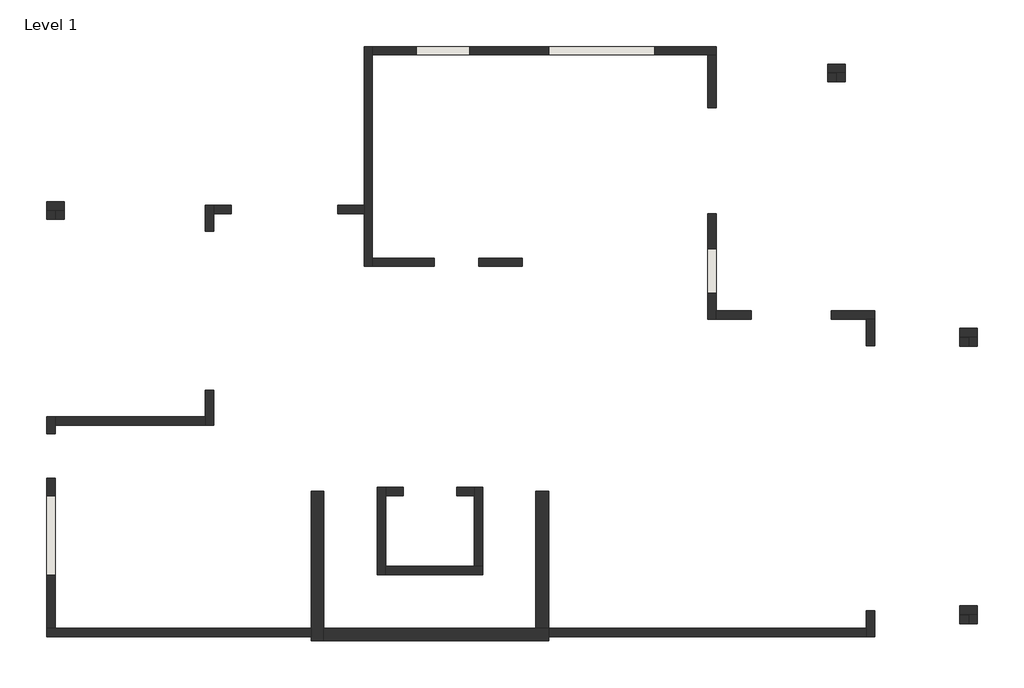
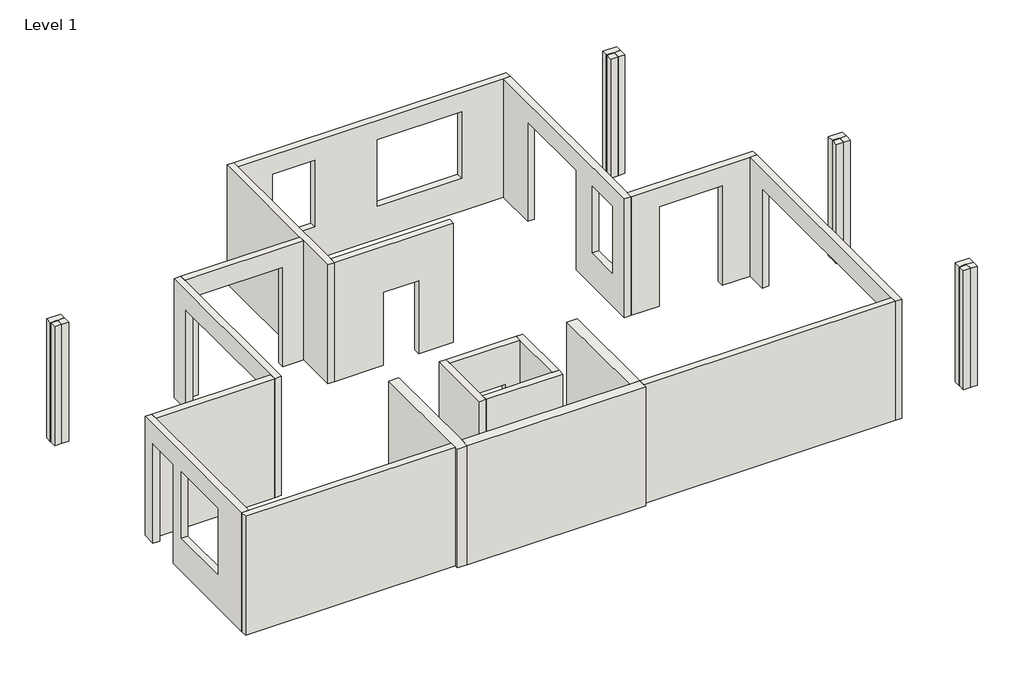
# One storey: 35 walls.
"""IFC4 building model written with IfcOpenShell, lengths in millimetres."""

from ifc_helpers import new_model, si_unit, frame, origin, origin_with_axes, place, context, project, spatial, polyline, outline, extrude, faceted_brep, element, save

model = new_model("IFC4")

# Units and contexts
model_context = context("Model", 3, world=origin())
ifc_project = project(units=[si_unit("LENGTHUNIT", "METRE", prefix="MILLI")], contexts=[model_context])

# Site, building, storey
site = spatial("IfcSite", under=ifc_project)
building = spatial("IfcBuilding", under=site)
storey = spatial("IfcBuildingStorey", under=building, Name="Level 1", Elevation=0.0)

# Walls
placement = place(None, origin())
element("IfcWall", 1, ObjectType="12\" Omni", at=placement, inside=storey, context=model_context, shape_type="Brep", body=[
    faceted_brep([(10593.2716482, -4772.8512144, 0.0), (10593.2716482, -7927.2137144, 0.0), (10593.2716482, -8120.8887144, 0.0), (10593.2716482, -8222.4887144, 0.0), (10593.2716482, -8222.4887144, 3657.6), (10593.2716482, -8120.8887144, 3657.6), (10593.2716482, -7927.2137144, 3657.6), (10593.2716482, -4772.8512144, 3657.6), (10888.5466482, -4772.8512144, 0.0), (10888.5466482, -4772.8512144, 3657.6), (10888.5466482, -7927.2137144, 3657.6), (10888.5466482, -8222.4887144, 3657.6), (10888.5466482, -8222.4887144, 0.0), (10888.5466482, -7927.2137144, 0.0)], [[[0, 1, 2, 3, 4, 5, 6, 7]], [[8, 9, 10, 11, 12, 13]], [[3, 2, 1, 0, 8, 13, 12]], [[7, 6, 5, 4, 11, 10, 9]], [[0, 7, 9, 8]], [[4, 3, 12, 11]]]),
])
element("IfcWall", 2, ObjectType="12\" Omni", at=placement, inside=storey, context=model_context, shape_type="Brep", body=[
    faceted_brep([(10888.5466482, -8222.4887144, 0.0), (16070.1466482, -8222.4887144, 0.0), (16070.1466482, -8222.4887144, 3657.6), (10888.5466482, -8222.4887144, 3657.6), (10888.5466482, -7927.2137144, 0.0), (10888.5466482, -7927.2137144, 3657.6), (15774.8716482, -7927.2137144, 3657.6), (16070.1466482, -7927.2137144, 3657.6), (16070.1466482, -7927.2137144, 0.0), (15774.8716482, -7927.2137144, 0.0), (16070.1466482, -8120.8887144, 0.0), (16070.1466482, -8120.8887144, 3657.6)], [[[0, 1, 2, 3]], [[4, 5, 6, 7, 8, 9]], [[1, 0, 4, 9, 8, 10]], [[3, 2, 11, 7, 6, 5]], [[0, 3, 5, 4]], [[2, 1, 10, 8, 7, 11]]]),
])
element("IfcWall", 3, ObjectType="12\" Omni", at=placement, inside=storey, context=model_context, shape_type="SweptSolid", body=[
    extrude(outline(polyline([(16070.1466482, -4772.8512144), (16070.1466482, -7927.2137144), (15774.8716482, -7927.2137144), (15774.8716482, -4772.8512144), (16070.1466482, -4772.8512144)])), origin_with_axes(), (0.0, 0.0, 1.0), 3657.6),
])
element("IfcWall", 4, ObjectType="8\" CMU", at=placement, inside=storey, context=model_context, shape_type="Brep", body=[
    faceted_brep([(12117.2716482, -4676.0137144, 0.0), (12117.2716482, -6698.4887144, 0.0), (12117.2716482, -6698.4887144, 3657.6), (12117.2716482, -4676.0137144, 3657.6), (12310.9466482, -4676.0137144, 0.0), (12310.9466482, -4676.0137144, 3657.6), (12310.9466482, -4869.6887144, 3657.6), (12310.9466482, -6504.8137144, 3657.6), (12310.9466482, -6698.4887144, 3657.6), (12310.9466482, -6698.4887144, 0.0), (12310.9466482, -6504.8137144, 0.0), (12310.9466482, -4869.6887144, 0.0)], [[[0, 1, 2, 3]], [[4, 5, 6, 7, 8, 9, 10, 11]], [[1, 0, 4, 11, 10, 9]], [[3, 2, 8, 7, 6, 5]], [[2, 1, 9, 8]], [[0, 3, 5, 4]]]),
])
element("IfcWall", 5, ObjectType="8\" CMU", at=placement, inside=storey, context=model_context, shape_type="Brep", body=[
    faceted_brep([(12310.9466482, -6698.4887144, 0.0), (14546.1466482, -6698.4887144, 0.0), (14546.1466482, -6698.4887144, 3657.6), (12310.9466482, -6698.4887144, 3657.6), (12310.9466482, -6504.8137144, 0.0), (12310.9466482, -6504.8137144, 3657.6), (14352.4716482, -6504.8137144, 3657.6), (14546.1466482, -6504.8137144, 3657.6), (14546.1466482, -6504.8137144, 0.0), (14352.4716482, -6504.8137144, 0.0)], [[[0, 1, 2, 3]], [[4, 5, 6, 7, 8, 9]], [[1, 0, 4, 9, 8]], [[3, 2, 7, 6, 5]], [[0, 3, 5, 4]], [[2, 1, 8, 7]]]),
])
element("IfcWall", 6, ObjectType="8\" CMU", at=placement, inside=storey, context=model_context, shape_type="Brep", body=[
    faceted_brep([(14546.1466482, -6504.8137144, 0.0), (14546.1466482, -4676.0137144, 0.0), (14546.1466482, -4676.0137144, 3657.6), (14546.1466482, -6504.8137144, 3657.6), (14352.4716482, -6504.8137144, 0.0), (14352.4716482, -6504.8137144, 3657.6), (14352.4716482, -4869.6887144, 3657.6), (14352.4716482, -4676.0137144, 3657.6), (14352.4716482, -4676.0137144, 0.0), (14352.4716482, -4869.6887144, 0.0)], [[[0, 1, 2, 3]], [[4, 5, 6, 7, 8, 9]], [[1, 0, 4, 9, 8]], [[3, 2, 7, 6, 5]], [[0, 3, 5, 4]], [[2, 1, 8, 7]]]),
])
element("IfcWall", 7, ObjectType="8\" CMU", at=placement, inside=storey, context=model_context, shape_type="SweptSolid", body=[
    extrude(outline(polyline([(3657.6, 12310.9466482), (0.0, 12310.9466482), (0.0, 12717.3471562), (2447.925, 12717.3471562), (2447.925, 13946.0721562), (0.0, 13946.0721562), (0.0, 14352.4716482), (3657.6, 14352.4716482), (3657.6, 12310.9466482)])), frame((0.0, -4869.6887144, 0.0), z_axis=(0.0, 1.0, 0.0), x_axis=(0.0, 0.0, 1.0)), (0.0, 0.0, 1.0), 193.675),
])
element("IfcWall", 8, ObjectType="8\" CMU", at=placement, inside=storey, context=model_context, shape_type="Brep", body=[
    faceted_brep([(25550.4804298, -7609.0718358, 0.0), (25744.1554298, -7609.0718358, 0.0), (25763.2054298, -7609.0718358, 0.0), (25956.8804298, -7609.0718358, 0.0), (25956.8804298, -7609.0718358, 3657.6), (25763.2054298, -7609.0718358, 3657.6), (25744.1554298, -7609.0718358, 3657.6), (25550.4804298, -7609.0718358, 3657.6), (25550.4804298, -7415.3968358, 0.0), (25550.4804298, -7415.3968358, 3657.6), (25956.8804298, -7415.3968358, 3657.6), (25956.8804298, -7415.3968358, 0.0)], [[[0, 1, 2, 3, 4, 5, 6, 7]], [[8, 9, 10, 11]], [[3, 2, 1, 0, 8, 11]], [[7, 6, 5, 4, 10, 9]], [[4, 3, 11, 10]], [[0, 7, 9, 8]]]),
])
element("IfcWall", 9, ObjectType="8\" CMU", at=placement, inside=storey, context=model_context, shape_type="Brep", body=[
    faceted_brep([(25763.2054298, -7609.0718358, 0.0), (25763.2054298, -7628.1218358, 0.0), (25763.2054298, -7821.7968358, 0.0), (25763.2054298, -7821.7968358, 3657.6), (25763.2054298, -7628.1218358, 3657.6), (25763.2054298, -7609.0718358, 3657.6), (25956.8804298, -7609.0718358, 0.0), (25956.8804298, -7609.0718358, 3657.6), (25956.8804298, -7821.7968358, 3657.6), (25956.8804298, -7821.7968358, 0.0)], [[[0, 1, 2, 3, 4, 5]], [[6, 7, 8, 9]], [[2, 1, 0, 6, 9]], [[5, 4, 3, 8, 7]], [[0, 5, 7, 6]], [[3, 2, 9, 8]]]),
])
element("IfcWall", 10, ObjectType="8\" CMU", at=placement, inside=storey, context=model_context, shape_type="Brep", body=[
    faceted_brep([(25763.2054298, -7628.1218358, 0.0), (25744.1554298, -7628.1218358, 0.0), (25550.4804298, -7628.1218358, 0.0), (25550.4804298, -7628.1218358, 3657.6), (25744.1554298, -7628.1218358, 3657.6), (25763.2054298, -7628.1218358, 3657.6), (25763.2054298, -7821.7968358, 0.0), (25763.2054298, -7821.7968358, 3657.6), (25550.4804298, -7821.7968358, 3657.6), (25550.4804298, -7821.7968358, 0.0)], [[[0, 1, 2, 3, 4, 5]], [[6, 7, 8, 9]], [[2, 1, 0, 6, 9]], [[5, 4, 3, 8, 7]], [[0, 5, 7, 6]], [[3, 2, 9, 8]]]),
])
element("IfcWall", 11, ObjectType="8\" CMU", at=placement, inside=storey, context=model_context, shape_type="SweptSolid", body=[
    extrude(outline(polyline([(25744.1554298, -7609.0718358), (25744.1554298, -7628.1218358), (25550.4804298, -7628.1218358), (25550.4804298, -7609.0718358), (25744.1554298, -7609.0718358)])), origin_with_axes(), (0.0, 0.0, 1.0), 3657.6),
])
element("IfcWall", 12, ObjectType="8\" CMU", at=placement, inside=storey, context=model_context, shape_type="Brep", body=[
    faceted_brep([(25550.4804298, -1208.2718358, 0.0), (25744.1554298, -1208.2718358, 0.0), (25763.2054298, -1208.2718358, 0.0), (25956.8804298, -1208.2718358, 0.0), (25956.8804298, -1208.2718358, 3657.6), (25763.2054298, -1208.2718358, 3657.6), (25744.1554298, -1208.2718358, 3657.6), (25550.4804298, -1208.2718358, 3657.6), (25550.4804298, -1014.5968358, 0.0), (25550.4804298, -1014.5968358, 3657.6), (25956.8804298, -1014.5968358, 3657.6), (25956.8804298, -1014.5968358, 0.0)], [[[0, 1, 2, 3, 4, 5, 6, 7]], [[8, 9, 10, 11]], [[3, 2, 1, 0, 8, 11]], [[7, 6, 5, 4, 10, 9]], [[4, 3, 11, 10]], [[0, 7, 9, 8]]]),
])
element("IfcWall", 13, ObjectType="8\" CMU", at=placement, inside=storey, context=model_context, shape_type="Brep", body=[
    faceted_brep([(25763.2054298, -1208.2718358, 0.0), (25763.2054298, -1227.3218358, 0.0), (25763.2054298, -1420.9968358, 0.0), (25763.2054298, -1420.9968358, 3657.6), (25763.2054298, -1227.3218358, 3657.6), (25763.2054298, -1208.2718358, 3657.6), (25956.8804298, -1208.2718358, 0.0), (25956.8804298, -1208.2718358, 3657.6), (25956.8804298, -1420.9968358, 3657.6), (25956.8804298, -1420.9968358, 0.0)], [[[0, 1, 2, 3, 4, 5]], [[6, 7, 8, 9]], [[2, 1, 0, 6, 9]], [[5, 4, 3, 8, 7]], [[0, 5, 7, 6]], [[3, 2, 9, 8]]]),
])
element("IfcWall", 14, ObjectType="8\" CMU", at=placement, inside=storey, context=model_context, shape_type="Brep", body=[
    faceted_brep([(25763.2054298, -1227.3218358, 0.0), (25744.1554298, -1227.3218358, 0.0), (25550.4804298, -1227.3218358, 0.0), (25550.4804298, -1227.3218358, 3657.6), (25744.1554298, -1227.3218358, 3657.6), (25763.2054298, -1227.3218358, 3657.6), (25763.2054298, -1420.9968358, 0.0), (25763.2054298, -1420.9968358, 3657.6), (25550.4804298, -1420.9968358, 3657.6), (25550.4804298, -1420.9968358, 0.0)], [[[0, 1, 2, 3, 4, 5]], [[6, 7, 8, 9]], [[2, 1, 0, 6, 9]], [[5, 4, 3, 8, 7]], [[0, 5, 7, 6]], [[3, 2, 9, 8]]]),
])
element("IfcWall", 15, ObjectType="8\" CMU", at=placement, inside=storey, context=model_context, shape_type="SweptSolid", body=[
    extrude(outline(polyline([(25744.1554298, -1208.2718358), (25744.1554298, -1227.3218358), (25550.4804298, -1227.3218358), (25550.4804298, -1208.2718358), (25744.1554298, -1208.2718358)])), origin_with_axes(), (0.0, 0.0, 1.0), 3657.6),
])
element("IfcWall", 16, ObjectType="8\" CMU", at=placement, inside=storey, context=model_context, shape_type="Brep", body=[
    faceted_brep([(22502.4804298, 4887.7281642, 0.0), (22696.1554298, 4887.7281642, 0.0), (22715.2054298, 4887.7281642, 0.0), (22908.8804298, 4887.7281642, 0.0), (22908.8804298, 4887.7281642, 3657.6), (22715.2054298, 4887.7281642, 3657.6), (22696.1554298, 4887.7281642, 3657.6), (22502.4804298, 4887.7281642, 3657.6), (22502.4804298, 5081.4031642, 0.0), (22502.4804298, 5081.4031642, 3657.6), (22908.8804298, 5081.4031642, 3657.6), (22908.8804298, 5081.4031642, 0.0)], [[[0, 1, 2, 3, 4, 5, 6, 7]], [[8, 9, 10, 11]], [[3, 2, 1, 0, 8, 11]], [[7, 6, 5, 4, 10, 9]], [[4, 3, 11, 10]], [[0, 7, 9, 8]]]),
])
element("IfcWall", 17, ObjectType="8\" CMU", at=placement, inside=storey, context=model_context, shape_type="Brep", body=[
    faceted_brep([(22715.2054298, 4887.7281642, 0.0), (22715.2054298, 4868.6781642, 0.0), (22715.2054298, 4675.0031642, 0.0), (22715.2054298, 4675.0031642, 3657.6), (22715.2054298, 4868.6781642, 3657.6), (22715.2054298, 4887.7281642, 3657.6), (22908.8804298, 4887.7281642, 0.0), (22908.8804298, 4887.7281642, 3657.6), (22908.8804298, 4675.0031642, 3657.6), (22908.8804298, 4675.0031642, 0.0)], [[[0, 1, 2, 3, 4, 5]], [[6, 7, 8, 9]], [[2, 1, 0, 6, 9]], [[5, 4, 3, 8, 7]], [[0, 5, 7, 6]], [[3, 2, 9, 8]]]),
])
element("IfcWall", 18, ObjectType="8\" CMU", at=placement, inside=storey, context=model_context, shape_type="Brep", body=[
    faceted_brep([(22715.2054298, 4868.6781642, 0.0), (22696.1554298, 4868.6781642, 0.0), (22502.4804298, 4868.6781642, 0.0), (22502.4804298, 4868.6781642, 3657.6), (22696.1554298, 4868.6781642, 3657.6), (22715.2054298, 4868.6781642, 3657.6), (22715.2054298, 4675.0031642, 0.0), (22715.2054298, 4675.0031642, 3657.6), (22502.4804298, 4675.0031642, 3657.6), (22502.4804298, 4675.0031642, 0.0)], [[[0, 1, 2, 3, 4, 5]], [[6, 7, 8, 9]], [[2, 1, 0, 6, 9]], [[5, 4, 3, 8, 7]], [[0, 5, 7, 6]], [[3, 2, 9, 8]]]),
])
element("IfcWall", 19, ObjectType="8\" CMU", at=placement, inside=storey, context=model_context, shape_type="SweptSolid", body=[
    extrude(outline(polyline([(22696.1554298, 4887.7281642), (22696.1554298, 4868.6781642), (22502.4804298, 4868.6781642), (22502.4804298, 4887.7281642), (22696.1554298, 4887.7281642)])), origin_with_axes(), (0.0, 0.0, 1.0), 3657.6),
])
element("IfcWall", 20, ObjectType="8\" CMU", at=placement, inside=storey, context=model_context, shape_type="Brep", body=[
    faceted_brep([(4492.3162427, 1712.0502911, 0.0), (4685.9912427, 1712.0502911, 0.0), (4705.0412427, 1712.0502911, 0.0), (4898.7162427, 1712.0502911, 0.0), (4898.7162427, 1712.0502911, 3657.6), (4705.0412427, 1712.0502911, 3657.6), (4685.9912427, 1712.0502911, 3657.6), (4492.3162427, 1712.0502911, 3657.6), (4492.3162427, 1905.7252911, 0.0), (4492.3162427, 1905.7252911, 3657.6), (4898.7162427, 1905.7252911, 3657.6), (4898.7162427, 1905.7252911, 0.0)], [[[0, 1, 2, 3, 4, 5, 6, 7]], [[8, 9, 10, 11]], [[3, 2, 1, 0, 8, 11]], [[7, 6, 5, 4, 10, 9]], [[4, 3, 11, 10]], [[0, 7, 9, 8]]]),
])
element("IfcWall", 21, ObjectType="8\" CMU", at=placement, inside=storey, context=model_context, shape_type="Brep", body=[
    faceted_brep([(4705.0412427, 1712.0502911, 0.0), (4705.0412427, 1693.0002911, 0.0), (4705.0412427, 1499.3252911, 0.0), (4705.0412427, 1499.3252911, 3657.6), (4705.0412427, 1693.0002911, 3657.6), (4705.0412427, 1712.0502911, 3657.6), (4898.7162427, 1712.0502911, 0.0), (4898.7162427, 1712.0502911, 3657.6), (4898.7162427, 1499.3252911, 3657.6), (4898.7162427, 1499.3252911, 0.0)], [[[0, 1, 2, 3, 4, 5]], [[6, 7, 8, 9]], [[2, 1, 0, 6, 9]], [[5, 4, 3, 8, 7]], [[0, 5, 7, 6]], [[3, 2, 9, 8]]]),
])
element("IfcWall", 22, ObjectType="8\" CMU", at=placement, inside=storey, context=model_context, shape_type="Brep", body=[
    faceted_brep([(4705.0412427, 1693.0002911, 0.0), (4685.9912427, 1693.0002911, 0.0), (4492.3162427, 1693.0002911, 0.0), (4492.3162427, 1693.0002911, 3657.6), (4685.9912427, 1693.0002911, 3657.6), (4705.0412427, 1693.0002911, 3657.6), (4705.0412427, 1499.3252911, 0.0), (4705.0412427, 1499.3252911, 3657.6), (4492.3162427, 1499.3252911, 3657.6), (4492.3162427, 1499.3252911, 0.0)], [[[0, 1, 2, 3, 4, 5]], [[6, 7, 8, 9]], [[2, 1, 0, 6, 9]], [[5, 4, 3, 8, 7]], [[0, 5, 7, 6]], [[3, 2, 9, 8]]]),
])
element("IfcWall", 23, ObjectType="8\" CMU", at=placement, inside=storey, context=model_context, shape_type="SweptSolid", body=[
    extrude(outline(polyline([(4685.9912427, 1712.0502911), (4685.9912427, 1693.0002911), (4492.3162427, 1693.0002911), (4492.3162427, 1712.0502911), (4685.9912427, 1712.0502911)])), origin_with_axes(), (0.0, 0.0, 1.0), 3657.6),
])
element("IfcWall", 24, ObjectType="8\" Omni", at=placement, inside=storey, context=model_context, shape_type="Brep", body=[
    faceted_brep([(10593.2716482, -7927.2137144, 0.0), (4690.9466482, -7927.2137144, 0.0), (4497.2716482, -7927.2137144, 0.0), (4497.2716482, -7927.2137144, 3657.6), (4690.9466482, -7927.2137144, 3657.6), (10593.2716482, -7927.2137144, 3657.6), (10593.2716482, -8120.8887144, 0.0), (10593.2716482, -8120.8887144, 3657.6), (4497.2716482, -8120.8887144, 3657.6), (4497.2716482, -8120.8887144, 0.0)], [[[0, 1, 2, 3, 4, 5]], [[6, 7, 8, 9]], [[2, 1, 0, 6, 9]], [[5, 4, 3, 8, 7]], [[3, 2, 9, 8]], [[0, 5, 7, 6]]]),
])
element("IfcWall", 25, ObjectType="8\" Omni", at=placement, inside=storey, context=model_context, shape_type="Brep", body=[
    faceted_brep([(4690.9466482, -3050.4137144, 0.0), (4690.9466482, -3050.4137144, 3657.6), (4690.9466482, -3244.0887144, 3657.6), (4690.9466482, -7927.2137144, 3657.6), (4690.9466482, -7927.2137144, 0.0), (4690.9466482, -4472.8132064, 0.0), (4690.9466482, -4472.8132064, 3057.525), (4690.9466482, -3447.2871904, 3057.525), (4690.9466482, -3447.2871904, 0.0), (4690.9466482, -3244.0887144, 0.0), (4690.9466482, -6708.0132064, 3057.525), (4690.9466482, -4869.6882064, 3057.525), (4690.9466482, -4869.6882064, 1015.998984), (4690.9466482, -6708.0132064, 1015.998984), (4497.2716482, -3050.4137144, 3657.6), (4497.2716482, -3050.4137144, 0.0), (4497.2716482, -3447.2871904, 0.0), (4497.2716482, -3447.2871904, 3057.525), (4497.2716482, -4472.8132064, 3057.525), (4497.2716482, -4472.8132064, 0.0), (4497.2716482, -7927.2137144, 0.0), (4497.2716482, -7927.2137144, 3657.6), (4497.2716482, -4869.6882064, 3057.525), (4497.2716482, -6708.0132064, 3057.525), (4497.2716482, -6708.0132064, 1015.998984), (4497.2716482, -4869.6882064, 1015.998984)], [[[0, 1, 2, 3, 4, 5, 6, 7, 8, 9], [10, 11, 12, 13]], [[14, 15, 16, 17, 18, 19, 20, 21], [22, 23, 24, 25]], [[4, 20, 19, 5]], [[15, 0, 9, 8, 16]], [[3, 2, 1, 14, 21]], [[4, 3, 21, 20]], [[1, 0, 15, 14]], [[10, 23, 22, 11]], [[12, 25, 24, 13]], [[23, 10, 13, 24]], [[11, 22, 25, 12]], [[6, 18, 17, 7]], [[18, 6, 5, 19]], [[7, 17, 16, 8]]]),
])
element("IfcWall", 26, ObjectType="8\" Omni", at=placement, inside=storey, context=model_context, shape_type="SweptSolid", body=[
    extrude(outline(polyline([(8154.8716482, -3244.0887144), (4690.9466482, -3244.0887144), (4690.9466482, -3050.4137144), (8154.8716482, -3050.4137144), (8154.8716482, -3244.0887144)])), origin_with_axes(), (0.0, 0.0, 1.0), 3657.6),
])
element("IfcWall", 27, ObjectType="8\" Omni", at=placement, inside=storey, context=model_context, shape_type="Brep", body=[
    faceted_brep([(8348.5466482, 1826.3862856, 0.0), (8348.5466482, 1826.3862856, 3657.6), (8348.5466482, 1632.7112856, 3657.6), (8348.5466482, -3244.0887144, 3657.6), (8348.5466482, -3244.0887144, 0.0), (8348.5466482, -2440.8132064, 0.0), (8348.5466482, -2440.8132064, 3057.525), (8348.5466482, 1226.3117936, 3057.525), (8348.5466482, 1226.3117936, 0.0), (8348.5466482, 1632.7112856, 0.0), (8154.8716482, 1826.3862856, 3657.6), (8154.8716482, 1826.3862856, 0.0), (8154.8716482, 1226.3117936, 0.0), (8154.8716482, 1226.3117936, 3057.525), (8154.8716482, -2440.8132064, 3057.525), (8154.8716482, -2440.8132064, 0.0), (8154.8716482, -3050.4137144, 0.0), (8154.8716482, -3244.0887144, 0.0), (8154.8716482, -3244.0887144, 3657.6), (8154.8716482, -3050.4137144, 3657.6)], [[[0, 1, 2, 3, 4, 5, 6, 7, 8, 9]], [[10, 11, 12, 13, 14, 15, 16, 17, 18, 19]], [[11, 0, 9, 8, 12]], [[4, 17, 16, 15, 5]], [[3, 2, 1, 10, 19, 18]], [[1, 0, 11, 10]], [[4, 3, 18, 17]], [[6, 14, 13, 7]], [[14, 6, 5, 15]], [[7, 13, 12, 8]]]),
])
element("IfcWall", 28, ObjectType="8\" Omni", at=placement, inside=storey, context=model_context, shape_type="SweptSolid", body=[
    extrude(outline(polyline([(0.0, 11812.4716482), (3657.6, 11812.4716482), (3657.6, 8348.5466482), (0.0, 8348.5466482), (0.0, 8754.9461402), (3057.525, 8754.9461402), (3057.525, 11207.6351642), (0.0, 11207.6351642), (0.0, 11812.4716482)])), frame((0.0, 1632.7112856, 0.0), z_axis=(0.0, 1.0, 0.0), x_axis=(0.0, 0.0, 1.0)), (0.0, 0.0, 1.0), 193.675),
])
element("IfcWall", 29, ObjectType="8\" Omni", at=placement, inside=storey, context=model_context, shape_type="Brep", body=[
    faceted_brep([(12006.1466482, 413.5112856, 0.0), (12006.1466482, 607.1862856, 0.0), (12006.1466482, 5290.3112856, 0.0), (12006.1466482, 5483.9862856, 0.0), (12006.1466482, 5483.9862856, 3657.6), (12006.1466482, 5290.3112856, 3657.6), (12006.1466482, 607.1862856, 3657.6), (12006.1466482, 413.5112856, 3657.6), (11812.4716482, 413.5112856, 0.0), (11812.4716482, 413.5112856, 3657.6), (11812.4716482, 1632.7112856, 3657.6), (11812.4716482, 1826.3862856, 3657.6), (11812.4716482, 5483.9862856, 3657.6), (11812.4716482, 5483.9862856, 0.0), (11812.4716482, 1826.3862856, 0.0), (11812.4716482, 1632.7112856, 0.0)], [[[0, 1, 2, 3, 4, 5, 6, 7]], [[8, 9, 10, 11, 12, 13, 14, 15]], [[3, 2, 1, 0, 8, 15, 14, 13]], [[7, 6, 5, 4, 12, 11, 10, 9]], [[4, 3, 13, 12]], [[0, 7, 9, 8]]]),
])
element("IfcWall", 30, ObjectType="8\" Omni", at=placement, inside=storey, context=model_context, shape_type="Brep", body=[
    faceted_brep([(12006.1466482, 5290.3112856, 0.0), (19737.2716482, 5290.3112856, 0.0), (19930.9466482, 5290.3112856, 0.0), (19930.9466482, 5290.3112856, 3657.6), (19737.2716482, 5290.3112856, 3657.6), (12006.1466482, 5290.3112856, 3657.6), (13022.1461402, 5290.3112856, 3057.525), (14250.8711402, 5290.3112856, 3057.525), (14250.8711402, 5290.3112856, 1015.998984), (13022.1461402, 5290.3112856, 1015.998984), (16070.1461402, 5290.3112856, 3057.525), (18518.0711402, 5290.3112856, 3057.525), (18518.0711402, 5290.3112856, 1015.998984), (16070.1461402, 5290.3112856, 1015.998984), (19930.9466482, 5483.9862856, 0.0), (12006.1466482, 5483.9862856, 0.0), (12006.1466482, 5483.9862856, 3657.6), (19930.9466482, 5483.9862856, 3657.6), (14250.8711402, 5483.9862856, 3057.525), (13022.1461402, 5483.9862856, 3057.525), (13022.1461402, 5483.9862856, 1015.998984), (14250.8711402, 5483.9862856, 1015.998984), (18518.0711402, 5483.9862856, 3057.525), (16070.1461402, 5483.9862856, 3057.525), (16070.1461402, 5483.9862856, 1015.998984), (18518.0711402, 5483.9862856, 1015.998984)], [[[0, 1, 2, 3, 4, 5], [6, 7, 8, 9], [10, 11, 12, 13]], [[14, 15, 16, 17], [18, 19, 20, 21], [22, 23, 24, 25]], [[2, 1, 0, 15, 14]], [[5, 4, 3, 17, 16]], [[0, 5, 16, 15]], [[3, 2, 14, 17]], [[6, 19, 18, 7]], [[8, 21, 20, 9]], [[19, 6, 9, 20]], [[7, 18, 21, 8]], [[10, 23, 22, 11]], [[12, 25, 24, 13]], [[23, 10, 13, 24]], [[11, 22, 25, 12]]]),
])
element("IfcWall", 31, ObjectType="8\" Omni", at=placement, inside=storey, context=model_context, shape_type="Brep", body=[
    faceted_brep([(19737.2716482, -805.6887144, 0.0), (19737.2716482, -805.6887144, 3657.6), (19737.2716482, 5290.3112856, 3657.6), (19737.2716482, 5290.3112856, 0.0), (19737.2716482, 4071.1117936, 0.0), (19737.2716482, 4071.1117936, 3057.525), (19737.2716482, 1623.1867936, 3057.525), (19737.2716482, 1623.1867936, 0.0), (19737.2716482, 819.9107776, 3057.525), (19737.2716482, -205.6132064, 3057.525), (19737.2716482, -205.6132064, 1006.6724066), (19737.2716482, 819.9107776, 1006.6724066), (19930.9466482, -805.6887144, 3657.6), (19930.9466482, -805.6887144, 0.0), (19930.9466482, -612.0137144, 0.0), (19930.9466482, 1623.1867936, 0.0), (19930.9466482, 1623.1867936, 3057.525), (19930.9466482, 4071.1117936, 3057.525), (19930.9466482, 4071.1117936, 0.0), (19930.9466482, 5290.3112856, 0.0), (19930.9466482, 5290.3112856, 3657.6), (19930.9466482, -612.0137144, 3657.6), (19930.9466482, -205.6132064, 3057.525), (19930.9466482, 819.9107776, 3057.525), (19930.9466482, 819.9107776, 1006.6724066), (19930.9466482, -205.6132064, 1006.6724066)], [[[0, 1, 2, 3, 4, 5, 6, 7], [8, 9, 10, 11]], [[12, 13, 14, 15, 16, 17, 18, 19, 20, 21], [22, 23, 24, 25]], [[3, 19, 18, 4]], [[13, 0, 7, 15, 14]], [[2, 1, 12, 21, 20]], [[3, 2, 20, 19]], [[1, 0, 13, 12]], [[5, 17, 16, 6]], [[17, 5, 4, 18]], [[6, 16, 15, 7]], [[8, 23, 22, 9]], [[10, 25, 24, 11]], [[23, 8, 11, 24]], [[9, 22, 25, 10]]]),
])
element("IfcWall", 32, ObjectType="8\" Omni", at=placement, inside=storey, context=model_context, shape_type="Brep", body=[
    faceted_brep([(23588.5466482, -805.6887144, 0.0), (23588.5466482, -805.6887144, 3657.6), (23394.8716482, -805.6887144, 3657.6), (19930.9466482, -805.6887144, 3657.6), (19930.9466482, -805.6887144, 0.0), (20743.7451242, -805.6887144, 0.0), (20743.7451242, -805.6887144, 3057.525), (22582.0731722, -805.6887144, 3057.525), (22582.0731722, -805.6887144, 0.0), (23394.8716482, -805.6887144, 0.0), (23588.5466482, -612.0137144, 3657.6), (23588.5466482, -612.0137144, 0.0), (22582.0731722, -612.0137144, 0.0), (22582.0731722, -612.0137144, 3057.525), (20743.7451242, -612.0137144, 3057.525), (20743.7451242, -612.0137144, 0.0), (19930.9466482, -612.0137144, 0.0), (19930.9466482, -612.0137144, 3657.6)], [[[0, 1, 2, 3, 4, 5, 6, 7, 8, 9]], [[10, 11, 12, 13, 14, 15, 16, 17]], [[4, 16, 15, 5]], [[11, 0, 9, 8, 12]], [[3, 2, 1, 10, 17]], [[4, 3, 17, 16]], [[1, 0, 11, 10]], [[6, 14, 13, 7]], [[14, 6, 5, 15]], [[7, 13, 12, 8]]]),
])
element("IfcWall", 33, ObjectType="8\" Omni", at=placement, inside=storey, context=model_context, shape_type="Brep", body=[
    faceted_brep([(23394.8716482, -8120.8887144, 0.0), (23394.8716482, -8120.8887144, 3657.6), (23394.8716482, -7927.2137144, 3657.6), (23394.8716482, -805.6887144, 3657.6), (23394.8716482, -805.6887144, 0.0), (23394.8716482, -1415.2892224, 0.0), (23394.8716482, -1415.2892224, 3057.525), (23394.8716482, -7520.8142224, 3057.525), (23394.8716482, -7520.8142224, 0.0), (23394.8716482, -7927.2137144, 0.0), (23588.5466482, -8120.8887144, 3657.6), (23588.5466482, -8120.8887144, 0.0), (23588.5466482, -7520.8142224, 0.0), (23588.5466482, -7520.8142224, 3057.525), (23588.5466482, -1415.2892224, 3057.525), (23588.5466482, -1415.2892224, 0.0), (23588.5466482, -805.6887144, 0.0), (23588.5466482, -805.6887144, 3657.6)], [[[0, 1, 2, 3, 4, 5, 6, 7, 8, 9]], [[10, 11, 12, 13, 14, 15, 16, 17]], [[4, 16, 15, 5]], [[11, 0, 9, 8, 12]], [[3, 2, 1, 10, 17]], [[4, 3, 17, 16]], [[1, 0, 11, 10]], [[6, 14, 13, 7]], [[14, 6, 5, 15]], [[7, 13, 12, 8]]]),
])
element("IfcWall", 34, ObjectType="8\" Omni", at=placement, inside=storey, context=model_context, shape_type="SweptSolid", body=[
    extrude(outline(polyline([(16070.1466482, -7927.2137144), (23394.8716482, -7927.2137144), (23394.8716482, -8120.8887144), (16070.1466482, -8120.8887144), (16070.1466482, -7927.2137144)])), origin_with_axes(), (0.0, 0.0, 1.0), 3657.6),
])
element("IfcWall", 35, ObjectType="8\" Omni", at=placement, inside=storey, context=model_context, shape_type="SweptSolid", body=[
    extrude(outline(polyline([(0.0, 15465.3091482), (3657.6, 15465.3091482), (3657.6, 12006.1466482), (0.0, 12006.1466482), (0.0, 13428.5451242), (2244.723984, 13428.5451242), (2244.723984, 14454.0721562), (0.0, 14454.0721562), (0.0, 15465.3091482)])), frame((0.0, 413.5112856, 0.0), z_axis=(0.0, 1.0, 0.0), x_axis=(0.0, 0.0, 1.0)), (0.0, 0.0, 1.0), 193.675),
])

save(model, "model.ifc")
